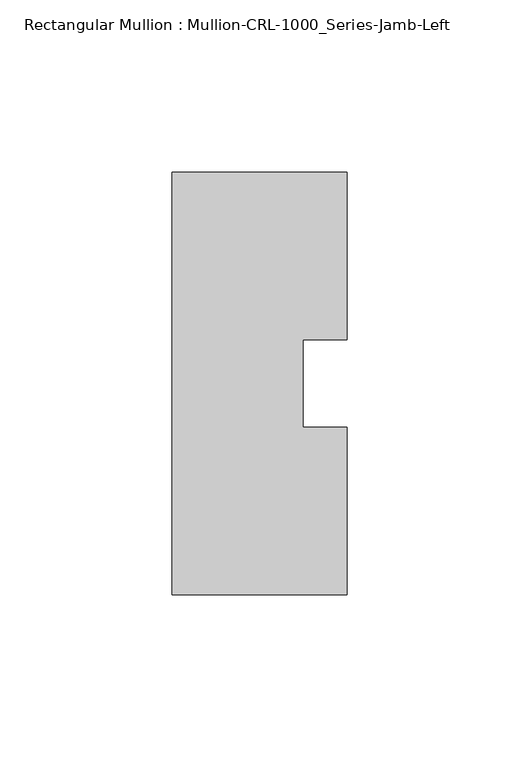
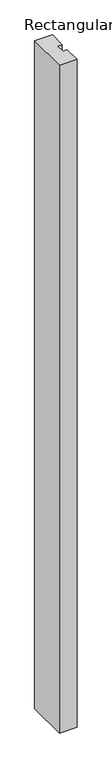
"""IFC4 building model written with IfcOpenShell, lengths in millimetres: member geometry, Rectangular Mullion : Mullion-CRL-1000_Series-Jamb-Left."""

from ifc_helpers import new_model, si_unit, frame, origin, place, context, project, spatial, polyline, outline, extrude, source, transform, mapped, element, save


def rectangular_mullion_mullion_crl_1000_series_jamb_left_44137570(model_context):
    return source(origin(), model_context, "Body", "SweptSolid", [
        extrude(outline(polyline([(0.0, 61.339347), (0.0, 12.7), (-12.6999468, 12.7), (-12.6999468, -12.7), (0.0, -12.7), (0.0, -61.339347), (-50.8, -61.339347), (-50.8, 61.339347), (0.0, 61.339347)])), frame((0.0, 0.0, -2032.0), z_axis=(0.0, 0.0, 1.0), x_axis=(1.0, 0.0, 0.0)), (0.0, 0.0, 1.0), 2032.0),
    ])


if __name__ == "__main__":
    model = new_model("IFC4")
    model_context = context("Model", 3, world=origin())
    ifc_project = project(units=[si_unit("LENGTHUNIT", "METRE", prefix="MILLI")], contexts=[model_context])
    site = spatial("IfcSite", under=ifc_project)
    building = spatial("IfcBuilding", under=site)
    placement = place(None, origin())
    rectangular_mullion_mullion_crl_1000_series_jamb_left_shape = rectangular_mullion_mullion_crl_1000_series_jamb_left_44137570(model_context)
    element("IfcMember", 1, ObjectType="Rectangular Mullion : Mullion-CRL-1000_Series-Jamb-Left", at=placement, inside=building, context=model_context, shape_type="MappedRepresentation", body=[
        mapped(rectangular_mullion_mullion_crl_1000_series_jamb_left_shape, transform((0.0, 0.0, 0.0), x_axis=(1.0, 0.0, 0.0), y_axis=(0.0, 1.0, 0.0), z_axis=(0.0, 0.0, 1.0))),
    ])
    save(model, "model.ifc")
